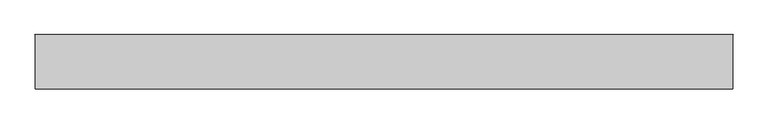
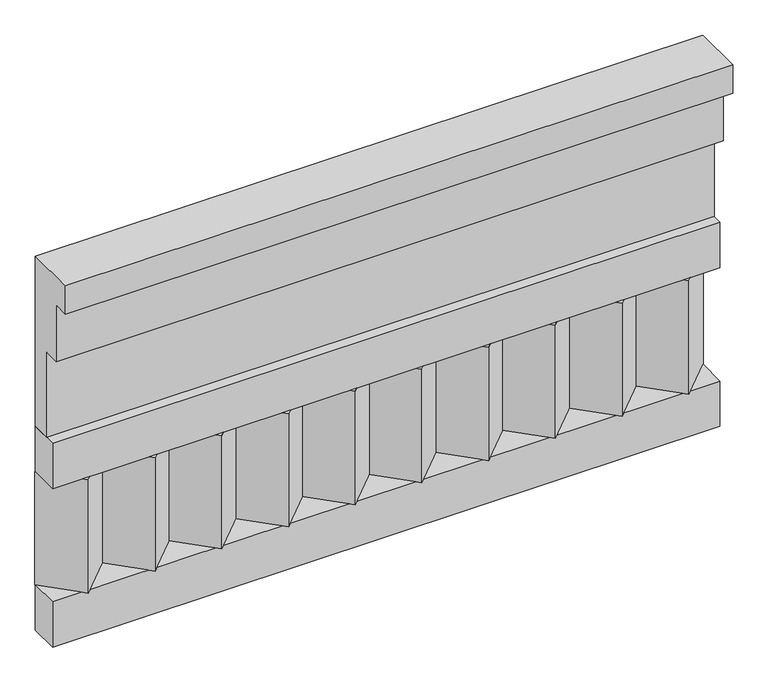
"""IFC4 building model written with IfcOpenShell, lengths in millimetres: railing geometry."""

from ifc_helpers import new_model, si_unit, frame, origin, place, context, project, spatial, polyline, outline, extrude, source, transform, mapped, element, save


def railing_07d0d232(model_context):
    return source(origin(), model_context, "Body", "SweptSolid", [
        extrude(outline(polyline([(-16816.8920513, 25100.0), (-16816.8920513, 24650.0), (-16866.8920513, 24650.0), (-16866.8920513, 24875.0), (-16906.8920513, 24875.0), (-16906.8920513, 25025.0), (-16946.8920513, 25025.0), (-16946.8920513, 25100.0), (-16816.8920513, 25100.0)])), frame((-5539.9887159, 0.0, 0.0), z_axis=(1.0, 0.0, 0.0), x_axis=(0.0, 1.0, 0.0)), (0.0, 0.0, 1.0), 1670.0),
        extrude(outline(polyline([(-5539.9887159, -16891.8920513), (-5539.9887159, -16816.8920513), (-3869.9887159, -16816.8920513), (-3869.9887159, -16891.8920513), (-5539.9887159, -16891.8920513)])), frame((0.0, 0.0, 24530.0), z_axis=(0.0, 0.0, 1.0), x_axis=(1.0, 0.0, 0.0)), (0.0, 0.0, 1.0), 120.0),
        extrude(outline(polyline([(-5539.9887159, -16891.8920513), (-5539.9887159, -16816.8920513), (-3869.9887159, -16816.8920513), (-3869.9887159, -16891.8920513), (-5539.9887159, -16891.8920513)])), frame((0.0, 0.0, 24110.0), z_axis=(0.0, 0.0, 1.0), x_axis=(1.0, 0.0, 0.0)), (0.0, 0.0, 1.0), 120.0),
        extrude(outline(polyline([(-3953.4887159, -16901.7448651), (-4038.3415296, -16816.8920513), (-3868.6359022, -16816.8920513), (-3953.4887159, -16901.7448651)])), frame((0.0, 0.0, 24230.0), z_axis=(0.0, 0.0, 1.0), x_axis=(1.0, 0.0, 0.0)), (0.0, 0.0, 1.0), 300.0),
        extrude(outline(polyline([(-4120.4887159, -16901.7448651), (-4205.3415296, -16816.8920513), (-4035.6359022, -16816.8920513), (-4120.4887159, -16901.7448651)])), frame((0.0, 0.0, 24230.0), z_axis=(0.0, 0.0, 1.0), x_axis=(1.0, 0.0, 0.0)), (0.0, 0.0, 1.0), 300.0),
        extrude(outline(polyline([(-4287.4887159, -16901.7448651), (-4372.3415296, -16816.8920513), (-4202.6359022, -16816.8920513), (-4287.4887159, -16901.7448651)])), frame((0.0, 0.0, 24230.0), z_axis=(0.0, 0.0, 1.0), x_axis=(1.0, 0.0, 0.0)), (0.0, 0.0, 1.0), 300.0),
        extrude(outline(polyline([(-4454.4887159, -16901.7448651), (-4539.3415296, -16816.8920513), (-4369.6359022, -16816.8920513), (-4454.4887159, -16901.7448651)])), frame((0.0, 0.0, 24230.0), z_axis=(0.0, 0.0, 1.0), x_axis=(1.0, 0.0, 0.0)), (0.0, 0.0, 1.0), 300.0),
        extrude(outline(polyline([(-4621.4887159, -16901.7448651), (-4706.3415296, -16816.8920513), (-4536.6359022, -16816.8920513), (-4621.4887159, -16901.7448651)])), frame((0.0, 0.0, 24230.0), z_axis=(0.0, 0.0, 1.0), x_axis=(1.0, 0.0, 0.0)), (0.0, 0.0, 1.0), 300.0),
        extrude(outline(polyline([(-4788.4887159, -16901.7448651), (-4873.3415296, -16816.8920513), (-4703.6359022, -16816.8920513), (-4788.4887159, -16901.7448651)])), frame((0.0, 0.0, 24230.0), z_axis=(0.0, 0.0, 1.0), x_axis=(1.0, 0.0, 0.0)), (0.0, 0.0, 1.0), 300.0),
        extrude(outline(polyline([(-4955.4887159, -16901.7448651), (-5040.3415296, -16816.8920513), (-4870.6359022, -16816.8920513), (-4955.4887159, -16901.7448651)])), frame((0.0, 0.0, 24230.0), z_axis=(0.0, 0.0, 1.0), x_axis=(1.0, 0.0, 0.0)), (0.0, 0.0, 1.0), 300.0),
        extrude(outline(polyline([(-5122.4887159, -16901.7448651), (-5207.3415296, -16816.8920513), (-5037.6359022, -16816.8920513), (-5122.4887159, -16901.7448651)])), frame((0.0, 0.0, 24230.0), z_axis=(0.0, 0.0, 1.0), x_axis=(1.0, 0.0, 0.0)), (0.0, 0.0, 1.0), 300.0),
        extrude(outline(polyline([(-5289.4887159, -16901.7448651), (-5374.3415296, -16816.8920513), (-5204.6359022, -16816.8920513), (-5289.4887159, -16901.7448651)])), frame((0.0, 0.0, 24230.0), z_axis=(0.0, 0.0, 1.0), x_axis=(1.0, 0.0, 0.0)), (0.0, 0.0, 1.0), 300.0),
        extrude(outline(polyline([(-5456.4887159, -16901.7448651), (-5541.3415296, -16816.8920513), (-5371.6359022, -16816.8920513), (-5456.4887159, -16901.7448651)])), frame((0.0, 0.0, 24230.0), z_axis=(0.0, 0.0, 1.0), x_axis=(1.0, 0.0, 0.0)), (0.0, 0.0, 1.0), 300.0),
    ])


if __name__ == "__main__":
    model = new_model("IFC4")
    model_context = context("Model", 3, world=origin())
    ifc_project = project(units=[si_unit("LENGTHUNIT", "METRE", prefix="MILLI")], contexts=[model_context])
    site = spatial("IfcSite", under=ifc_project)
    building = spatial("IfcBuilding", under=site)
    placement = place(None, origin())
    railing_shape = railing_07d0d232(model_context)
    element("IfcRailing", 1, at=placement, inside=building, context=model_context, shape_type="MappedRepresentation", body=[
        mapped(railing_shape, transform((0.0, 0.0, 0.0), x_axis=(1.0, 0.0, 0.0), y_axis=(0.0, 1.0, 0.0), z_axis=(0.0, 0.0, 1.0))),
    ])
    save(model, "model.ifc")
